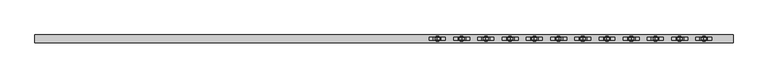
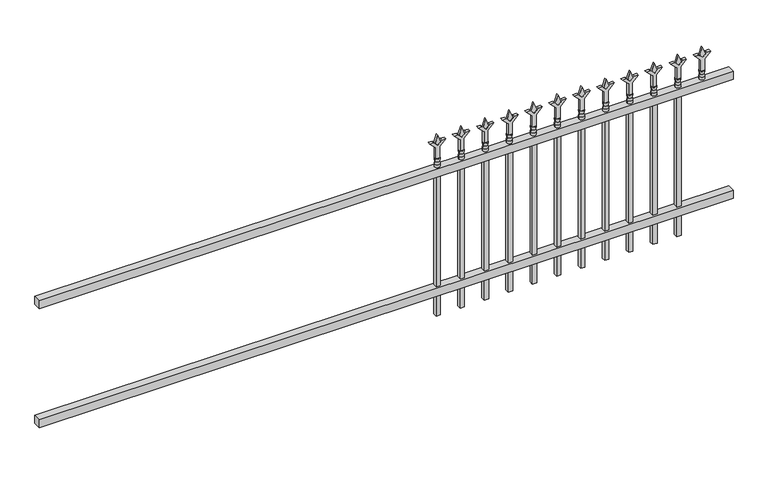
"""IFC4 building model written with IfcOpenShell, lengths in millimetres: railing geometry."""

from ifc_helpers import new_model, si_unit, frame, origin, place, context, project, spatial, polyline, circle_curve, outline, extrude, source, transform, mapped, element, save
from ifc_brep_helpers import plane_surface, cylinder_surface, revolved_surface, advanced_brep


def railing_2eb2fdbb(model_context):
    return source(origin(), model_context, "Body", "SolidModel", [
        extrude(outline(polyline([(-9790.0050134, 7020.1574518), (-9790.0050134, 7055.0824518), (-6640.4050134, 7055.0824518), (-6640.4050134, 7020.1574518), (-9790.0050134, 7020.1574518)])), frame((0.0, 0.0, 12915.9), z_axis=(0.0, 0.0, 1.0), x_axis=(1.0, 0.0, 0.0)), (0.0, 0.0, 1.0), 38.1),
        extrude(outline(polyline([(-9790.0050134, 7020.1574518), (-9790.0050134, 7055.0824518), (-6640.4050134, 7055.0824518), (-6640.4050134, 7020.1574518), (-9790.0050134, 7020.1574518)])), frame((0.0, 0.0, 12344.4), z_axis=(0.0, 0.0, 1.0), x_axis=(1.0, 0.0, 0.0)), (0.0, 0.0, 1.0), 38.1),
        extrude(outline(polyline([(13070.68125, -6869.53418), (13106.4, -6881.44043), (13070.68125, -6893.34668), (13058.775, -6881.44043), (13070.68125, -6869.53418)])), frame((0.0, 7032.8574518, 0.0), z_axis=(0.0, 1.0, 0.0), x_axis=(0.0, 0.0, 1.0)), (0.0, 0.0, 1.0), 9.525),
        extrude(outline(polyline([(12995.275, -6872.70918), (13049.5457378, -6872.70918), (13076.7355122, -6845.5194056), (13076.7355122, -6863.4799178), (13058.775, -6881.44043), (13076.7355122, -6899.4009423), (13076.7355122, -6917.3614545), (13049.5457378, -6890.17168), (12995.275, -6890.17168), (12995.275, -6872.70918)])), frame((0.0, 7031.2699518, 0.0), z_axis=(0.0, 1.0, 0.0), x_axis=(0.0, 0.0, 1.0)), (0.0, 0.0, 1.0), 12.7),
        advanced_brep(
        [(-6869.53418, 7037.6199518, 12966.7), (-6893.34668, 7037.6199518, 12966.7), (-6893.34668, 7037.6199518, 12954.0), (-6869.53418, 7037.6199518, 12954.0), (-6871.7395119, 7037.6199518, 12979.2070585), (-6891.1413482, 7037.6199518, 12979.2070585), (-6869.53418, 7037.6199518, 12995.275), (-6893.34668, 7037.6199518, 12995.275), (-6881.44043, 7037.6199518, 12995.275), (-6881.44043, 7037.6199518, 12954.0)],
        [
            (0, 1, circle_curve(frame((-6881.44043, 7037.6199518, 12966.7), z_axis=(0.0, 0.0, -1.0), x_axis=(-1.0, 0.0, 0.0)), 11.90625)),
            (1, 2),
            (2, 3, circle_curve(frame((-6881.44043, 7037.6199518, 12954.0), z_axis=(0.0, 0.0, 1.0), x_axis=(-1.0, 0.0, 0.0)), 11.90625)),
            (3, 0),
            (1, 0, circle_curve(frame((-6881.44043, 7037.6199518, 12966.7), z_axis=(0.0, 0.0, -1.0), x_axis=(-1.0, 0.0, 0.0)), 11.90625)),
            (3, 2, circle_curve(frame((-6881.44043, 7037.6199518, 12954.0), z_axis=(0.0, 0.0, 1.0), x_axis=(-1.0, 0.0, 0.0)), 11.90625)),
            (4, 5, circle_curve(frame((-6881.44043, 7037.6199518, 12979.2070585), z_axis=(0.0, 0.0, -1.0), x_axis=(-1.0, 0.0, 0.0)), 9.7009181)),
            (5, 1),
            (0, 4),
            (5, 4, circle_curve(frame((-6881.44043, 7037.6199518, 12979.2070585), z_axis=(0.0, 0.0, -1.0), x_axis=(-1.0, 0.0, 0.0)), 9.7009181)),
            (6, 7, circle_curve(frame((-6881.44043, 7037.6199518, 12995.275), z_axis=(0.0, 0.0, -1.0), x_axis=(-1.0, 0.0, 0.0)), 11.90625)),
            (7, 5),
            (4, 6),
            (7, 6, circle_curve(frame((-6881.44043, 7037.6199518, 12995.275), z_axis=(0.0, 0.0, -1.0), x_axis=(-1.0, 0.0, 0.0)), 11.90625)),
            (8, 7),
            (6, 8),
            (2, 9),
            (9, 3),
        ],
        [
            cylinder_surface(frame((-6881.44043, 7037.6199518, 12954.0), z_axis=(0.0, 0.0, 1.0), x_axis=(-1.0, 0.0, 0.0)), 11.90625),
            revolved_surface(polyline([(-6893.34668, 7037.6199518, 12966.7), (-6891.1413482, 7037.6199518, 12979.2070585)]), (-6881.44043, 7037.6199518, 12954.0), (0.0, 0.0, 1.0)),
            revolved_surface(polyline([(-6891.1413482, 7037.6199518, 12979.2070585), (-6893.34668, 7037.6199518, 12995.275)]), (-6881.44043, 7037.6199518, 12954.0), (0.0, 0.0, 1.0)),
            plane_surface(frame((-6881.44043, 7037.6199518, 12995.275), z_axis=(0.0, 0.0, 1.0), x_axis=(-1.0, 0.0, 0.0))),
            plane_surface(frame((-6881.44043, 7037.6199518, 12954.0), z_axis=(0.0, 0.0, -1.0), x_axis=(-1.0, 0.0, 0.0))),
        ],
        [
            (0, [[1, 2, 3, 4]]),
            (0, [[5, -4, 6, -2]]),
            (1, [[7, 8, -1, 9]]),
            (1, [[10, -9, -5, -8]]),
            (2, [[11, 12, -7, 13]]),
            (2, [[14, -13, -10, -12]]),
            (3, [[15, -11, 16]]),
            (3, [[-16, -14, -15]]),
            (4, [[-3, 17, 18]]),
            (4, [[-6, -18, -17]]),
        ],
    ),
        extrude(outline(polyline([(-6890.96543, 7047.1449518), (-6871.91543, 7047.1449518), (-6871.91543, 7028.0949518), (-6890.96543, 7028.0949518), (-6890.96543, 7047.1449518)])), frame((0.0, 0.0, 12242.8), z_axis=(0.0, 0.0, 1.0), x_axis=(1.0, 0.0, 0.0)), (0.0, 0.0, 1.0), 711.2),
        extrude(outline(polyline([(13070.68125, -6978.8070967), (13106.4, -6990.7133467), (13070.68125, -7002.6195967), (13058.775, -6990.7133467), (13070.68125, -6978.8070967)])), frame((0.0, 7032.8574518, 0.0), z_axis=(0.0, 1.0, 0.0), x_axis=(0.0, 0.0, 1.0)), (0.0, 0.0, 1.0), 9.525),
        extrude(outline(polyline([(12995.275, -6981.9820967), (13049.5457378, -6981.9820967), (13076.7355122, -6954.7923222), (13076.7355122, -6972.7528345), (13058.775, -6990.7133467), (13076.7355122, -7008.673859), (13076.7355122, -7026.6343712), (13049.5457378, -6999.4445967), (12995.275, -6999.4445967), (12995.275, -6981.9820967)])), frame((0.0, 7031.2699518, 0.0), z_axis=(0.0, 1.0, 0.0), x_axis=(0.0, 0.0, 1.0)), (0.0, 0.0, 1.0), 12.7),
        advanced_brep(
        [(-6978.8070967, 7037.6199518, 12966.7), (-7002.6195967, 7037.6199518, 12966.7), (-7002.6195967, 7037.6199518, 12954.0), (-6978.8070967, 7037.6199518, 12954.0), (-6981.0124286, 7037.6199518, 12979.2070585), (-7000.4142649, 7037.6199518, 12979.2070585), (-6978.8070967, 7037.6199518, 12995.275), (-7002.6195967, 7037.6199518, 12995.275), (-6990.7133467, 7037.6199518, 12995.275), (-6990.7133467, 7037.6199518, 12954.0)],
        [
            (0, 1, circle_curve(frame((-6990.7133467, 7037.6199518, 12966.7), z_axis=(0.0, 0.0, -1.0), x_axis=(-1.0, 0.0, 0.0)), 11.90625)),
            (1, 2),
            (2, 3, circle_curve(frame((-6990.7133467, 7037.6199518, 12954.0), z_axis=(0.0, 0.0, 1.0), x_axis=(-1.0, 0.0, 0.0)), 11.90625)),
            (3, 0),
            (1, 0, circle_curve(frame((-6990.7133467, 7037.6199518, 12966.7), z_axis=(0.0, 0.0, -1.0), x_axis=(-1.0, 0.0, 0.0)), 11.90625)),
            (3, 2, circle_curve(frame((-6990.7133467, 7037.6199518, 12954.0), z_axis=(0.0, 0.0, 1.0), x_axis=(-1.0, 0.0, 0.0)), 11.90625)),
            (4, 5, circle_curve(frame((-6990.7133467, 7037.6199518, 12979.2070585), z_axis=(0.0, 0.0, -1.0), x_axis=(-1.0, 0.0, 0.0)), 9.7009181)),
            (5, 1),
            (0, 4),
            (5, 4, circle_curve(frame((-6990.7133467, 7037.6199518, 12979.2070585), z_axis=(0.0, 0.0, -1.0), x_axis=(-1.0, 0.0, 0.0)), 9.7009181)),
            (6, 7, circle_curve(frame((-6990.7133467, 7037.6199518, 12995.275), z_axis=(0.0, 0.0, -1.0), x_axis=(-1.0, 0.0, 0.0)), 11.90625)),
            (7, 5),
            (4, 6),
            (7, 6, circle_curve(frame((-6990.7133467, 7037.6199518, 12995.275), z_axis=(0.0, 0.0, -1.0), x_axis=(-1.0, 0.0, 0.0)), 11.90625)),
            (8, 7),
            (6, 8),
            (2, 9),
            (9, 3),
        ],
        [
            cylinder_surface(frame((-6990.7133467, 7037.6199518, 12954.0), z_axis=(0.0, 0.0, 1.0), x_axis=(-1.0, 0.0, 0.0)), 11.90625),
            revolved_surface(polyline([(-7002.6195967, 7037.6199518, 12966.7), (-7000.4142649, 7037.6199518, 12979.2070585)]), (-6990.7133467, 7037.6199518, 12954.0), (0.0, 0.0, 1.0)),
            revolved_surface(polyline([(-7000.4142649, 7037.6199518, 12979.2070585), (-7002.6195967, 7037.6199518, 12995.275)]), (-6990.7133467, 7037.6199518, 12954.0), (0.0, 0.0, 1.0)),
            plane_surface(frame((-6990.7133467, 7037.6199518, 12995.275), z_axis=(0.0, 0.0, 1.0), x_axis=(-1.0, 0.0, 0.0))),
            plane_surface(frame((-6990.7133467, 7037.6199518, 12954.0), z_axis=(0.0, 0.0, -1.0), x_axis=(-1.0, 0.0, 0.0))),
        ],
        [
            (0, [[1, 2, 3, 4]]),
            (0, [[5, -4, 6, -2]]),
            (1, [[7, 8, -1, 9]]),
            (1, [[10, -9, -5, -8]]),
            (2, [[11, 12, -7, 13]]),
            (2, [[14, -13, -10, -12]]),
            (3, [[15, -11, 16]]),
            (3, [[-16, -14, -15]]),
            (4, [[-3, 17, 18]]),
            (4, [[-6, -18, -17]]),
        ],
    ),
        extrude(outline(polyline([(-7000.2383467, 7047.1449518), (-6981.1883467, 7047.1449518), (-6981.1883467, 7028.0949518), (-7000.2383467, 7028.0949518), (-7000.2383467, 7047.1449518)])), frame((0.0, 0.0, 12242.8), z_axis=(0.0, 0.0, 1.0), x_axis=(1.0, 0.0, 0.0)), (0.0, 0.0, 1.0), 711.2),
        extrude(outline(polyline([(13070.68125, -7088.0800134), (13106.4, -7099.9862634), (13070.68125, -7111.8925134), (13058.775, -7099.9862634), (13070.68125, -7088.0800134)])), frame((0.0, 7032.8574518, 0.0), z_axis=(0.0, 1.0, 0.0), x_axis=(0.0, 0.0, 1.0)), (0.0, 0.0, 1.0), 9.525),
        extrude(outline(polyline([(12995.275, -7091.2550134), (13049.5457378, -7091.2550134), (13076.7355122, -7064.0652389), (13076.7355122, -7082.0257511), (13058.775, -7099.9862634), (13076.7355122, -7117.9467756), (13076.7355122, -7135.9072879), (13049.5457378, -7108.7175134), (12995.275, -7108.7175134), (12995.275, -7091.2550134)])), frame((0.0, 7031.2699518, 0.0), z_axis=(0.0, 1.0, 0.0), x_axis=(0.0, 0.0, 1.0)), (0.0, 0.0, 1.0), 12.7),
        advanced_brep(
        [(-7088.0800134, 7037.6199518, 12966.7), (-7111.8925134, 7037.6199518, 12966.7), (-7111.8925134, 7037.6199518, 12954.0), (-7088.0800134, 7037.6199518, 12954.0), (-7090.2853452, 7037.6199518, 12979.2070585), (-7109.6871815, 7037.6199518, 12979.2070585), (-7088.0800134, 7037.6199518, 12995.275), (-7111.8925134, 7037.6199518, 12995.275), (-7099.9862634, 7037.6199518, 12995.275), (-7099.9862634, 7037.6199518, 12954.0)],
        [
            (0, 1, circle_curve(frame((-7099.9862634, 7037.6199518, 12966.7), z_axis=(0.0, 0.0, -1.0), x_axis=(-1.0, 0.0, 0.0)), 11.90625)),
            (1, 2),
            (2, 3, circle_curve(frame((-7099.9862634, 7037.6199518, 12954.0), z_axis=(0.0, 0.0, 1.0), x_axis=(-1.0, 0.0, 0.0)), 11.90625)),
            (3, 0),
            (1, 0, circle_curve(frame((-7099.9862634, 7037.6199518, 12966.7), z_axis=(0.0, 0.0, -1.0), x_axis=(-1.0, 0.0, 0.0)), 11.90625)),
            (3, 2, circle_curve(frame((-7099.9862634, 7037.6199518, 12954.0), z_axis=(0.0, 0.0, 1.0), x_axis=(-1.0, 0.0, 0.0)), 11.90625)),
            (4, 5, circle_curve(frame((-7099.9862634, 7037.6199518, 12979.2070585), z_axis=(0.0, 0.0, -1.0), x_axis=(-1.0, 0.0, 0.0)), 9.7009181)),
            (5, 1),
            (0, 4),
            (5, 4, circle_curve(frame((-7099.9862634, 7037.6199518, 12979.2070585), z_axis=(0.0, 0.0, -1.0), x_axis=(-1.0, 0.0, 0.0)), 9.7009181)),
            (6, 7, circle_curve(frame((-7099.9862634, 7037.6199518, 12995.275), z_axis=(0.0, 0.0, -1.0), x_axis=(-1.0, 0.0, 0.0)), 11.90625)),
            (7, 5),
            (4, 6),
            (7, 6, circle_curve(frame((-7099.9862634, 7037.6199518, 12995.275), z_axis=(0.0, 0.0, -1.0), x_axis=(-1.0, 0.0, 0.0)), 11.90625)),
            (8, 7),
            (6, 8),
            (2, 9),
            (9, 3),
        ],
        [
            cylinder_surface(frame((-7099.9862634, 7037.6199518, 12954.0), z_axis=(0.0, 0.0, 1.0), x_axis=(-1.0, 0.0, 0.0)), 11.90625),
            revolved_surface(polyline([(-7111.8925134, 7037.6199518, 12966.7), (-7109.6871815, 7037.6199518, 12979.2070585)]), (-7099.9862634, 7037.6199518, 12954.0), (0.0, 0.0, 1.0)),
            revolved_surface(polyline([(-7109.6871815, 7037.6199518, 12979.2070585), (-7111.8925134, 7037.6199518, 12995.275)]), (-7099.9862634, 7037.6199518, 12954.0), (0.0, 0.0, 1.0)),
            plane_surface(frame((-7099.9862634, 7037.6199518, 12995.275), z_axis=(0.0, 0.0, 1.0), x_axis=(-1.0, 0.0, 0.0))),
            plane_surface(frame((-7099.9862634, 7037.6199518, 12954.0), z_axis=(0.0, 0.0, -1.0), x_axis=(-1.0, 0.0, 0.0))),
        ],
        [
            (0, [[1, 2, 3, 4]]),
            (0, [[5, -4, 6, -2]]),
            (1, [[7, 8, -1, 9]]),
            (1, [[10, -9, -5, -8]]),
            (2, [[11, 12, -7, 13]]),
            (2, [[14, -13, -10, -12]]),
            (3, [[15, -11, 16]]),
            (3, [[-16, -14, -15]]),
            (4, [[-3, 17, 18]]),
            (4, [[-6, -18, -17]]),
        ],
    ),
        extrude(outline(polyline([(-7109.5112634, 7047.1449518), (-7090.4612634, 7047.1449518), (-7090.4612634, 7028.0949518), (-7109.5112634, 7028.0949518), (-7109.5112634, 7047.1449518)])), frame((0.0, 0.0, 12242.8), z_axis=(0.0, 0.0, 1.0), x_axis=(1.0, 0.0, 0.0)), (0.0, 0.0, 1.0), 711.2),
        extrude(outline(polyline([(13070.68125, -7197.35293), (13106.4, -7209.25918), (13070.68125, -7221.16543), (13058.775, -7209.25918), (13070.68125, -7197.35293)])), frame((0.0, 7032.8574518, 0.0), z_axis=(0.0, 1.0, 0.0), x_axis=(0.0, 0.0, 1.0)), (0.0, 0.0, 1.0), 9.525),
        extrude(outline(polyline([(12995.275, -7200.52793), (13049.5457378, -7200.52793), (13076.7355122, -7173.3381556), (13076.7355122, -7191.2986678), (13058.775, -7209.25918), (13076.7355122, -7227.2196923), (13076.7355122, -7245.1802045), (13049.5457378, -7217.99043), (12995.275, -7217.99043), (12995.275, -7200.52793)])), frame((0.0, 7031.2699518, 0.0), z_axis=(0.0, 1.0, 0.0), x_axis=(0.0, 0.0, 1.0)), (0.0, 0.0, 1.0), 12.7),
        advanced_brep(
        [(-7197.35293, 7037.6199518, 12966.7), (-7221.16543, 7037.6199518, 12966.7), (-7221.16543, 7037.6199518, 12954.0), (-7197.35293, 7037.6199518, 12954.0), (-7199.5582619, 7037.6199518, 12979.2070585), (-7218.9600982, 7037.6199518, 12979.2070585), (-7197.35293, 7037.6199518, 12995.275), (-7221.16543, 7037.6199518, 12995.275), (-7209.25918, 7037.6199518, 12995.275), (-7209.25918, 7037.6199518, 12954.0)],
        [
            (0, 1, circle_curve(frame((-7209.25918, 7037.6199518, 12966.7), z_axis=(0.0, 0.0, -1.0), x_axis=(-1.0, 0.0, 0.0)), 11.90625)),
            (1, 2),
            (2, 3, circle_curve(frame((-7209.25918, 7037.6199518, 12954.0), z_axis=(0.0, 0.0, 1.0), x_axis=(-1.0, 0.0, 0.0)), 11.90625)),
            (3, 0),
            (1, 0, circle_curve(frame((-7209.25918, 7037.6199518, 12966.7), z_axis=(0.0, 0.0, -1.0), x_axis=(-1.0, 0.0, 0.0)), 11.90625)),
            (3, 2, circle_curve(frame((-7209.25918, 7037.6199518, 12954.0), z_axis=(0.0, 0.0, 1.0), x_axis=(-1.0, 0.0, 0.0)), 11.90625)),
            (4, 5, circle_curve(frame((-7209.25918, 7037.6199518, 12979.2070585), z_axis=(0.0, 0.0, -1.0), x_axis=(-1.0, 0.0, 0.0)), 9.7009181)),
            (5, 1),
            (0, 4),
            (5, 4, circle_curve(frame((-7209.25918, 7037.6199518, 12979.2070585), z_axis=(0.0, 0.0, -1.0), x_axis=(-1.0, 0.0, 0.0)), 9.7009181)),
            (6, 7, circle_curve(frame((-7209.25918, 7037.6199518, 12995.275), z_axis=(0.0, 0.0, -1.0), x_axis=(-1.0, 0.0, 0.0)), 11.90625)),
            (7, 5),
            (4, 6),
            (7, 6, circle_curve(frame((-7209.25918, 7037.6199518, 12995.275), z_axis=(0.0, 0.0, -1.0), x_axis=(-1.0, 0.0, 0.0)), 11.90625)),
            (8, 7),
            (6, 8),
            (2, 9),
            (9, 3),
        ],
        [
            cylinder_surface(frame((-7209.25918, 7037.6199518, 12954.0), z_axis=(0.0, 0.0, 1.0), x_axis=(-1.0, 0.0, 0.0)), 11.90625),
            revolved_surface(polyline([(-7221.16543, 7037.6199518, 12966.7), (-7218.9600982, 7037.6199518, 12979.2070585)]), (-7209.25918, 7037.6199518, 12954.0), (0.0, 0.0, 1.0)),
            revolved_surface(polyline([(-7218.9600982, 7037.6199518, 12979.2070585), (-7221.16543, 7037.6199518, 12995.275)]), (-7209.25918, 7037.6199518, 12954.0), (0.0, 0.0, 1.0)),
            plane_surface(frame((-7209.25918, 7037.6199518, 12995.275), z_axis=(0.0, 0.0, 1.0), x_axis=(-1.0, 0.0, 0.0))),
            plane_surface(frame((-7209.25918, 7037.6199518, 12954.0), z_axis=(0.0, 0.0, -1.0), x_axis=(-1.0, 0.0, 0.0))),
        ],
        [
            (0, [[1, 2, 3, 4]]),
            (0, [[5, -4, 6, -2]]),
            (1, [[7, 8, -1, 9]]),
            (1, [[10, -9, -5, -8]]),
            (2, [[11, 12, -7, 13]]),
            (2, [[14, -13, -10, -12]]),
            (3, [[15, -11, 16]]),
            (3, [[-16, -14, -15]]),
            (4, [[-3, 17, 18]]),
            (4, [[-6, -18, -17]]),
        ],
    ),
        extrude(outline(polyline([(-7218.78418, 7047.1449518), (-7199.73418, 7047.1449518), (-7199.73418, 7028.0949518), (-7218.78418, 7028.0949518), (-7218.78418, 7047.1449518)])), frame((0.0, 0.0, 12242.8), z_axis=(0.0, 0.0, 1.0), x_axis=(1.0, 0.0, 0.0)), (0.0, 0.0, 1.0), 711.2),
        extrude(outline(polyline([(13070.68125, -7306.6258467), (13106.4, -7318.5320967), (13070.68125, -7330.4383467), (13058.775, -7318.5320967), (13070.68125, -7306.6258467)])), frame((0.0, 7032.8574518, 0.0), z_axis=(0.0, 1.0, 0.0), x_axis=(0.0, 0.0, 1.0)), (0.0, 0.0, 1.0), 9.525),
        extrude(outline(polyline([(12995.275, -7309.8008467), (13049.5457378, -7309.8008467), (13076.7355122, -7282.6110722), (13076.7355122, -7300.5715845), (13058.775, -7318.5320967), (13076.7355122, -7336.492609), (13076.7355122, -7354.4531212), (13049.5457378, -7327.2633467), (12995.275, -7327.2633467), (12995.275, -7309.8008467)])), frame((0.0, 7031.2699518, 0.0), z_axis=(0.0, 1.0, 0.0), x_axis=(0.0, 0.0, 1.0)), (0.0, 0.0, 1.0), 12.7),
        advanced_brep(
        [(-7306.6258467, 7037.6199518, 12966.7), (-7330.4383467, 7037.6199518, 12966.7), (-7330.4383467, 7037.6199518, 12954.0), (-7306.6258467, 7037.6199518, 12954.0), (-7308.8311786, 7037.6199518, 12979.2070585), (-7328.2330149, 7037.6199518, 12979.2070585), (-7306.6258467, 7037.6199518, 12995.275), (-7330.4383467, 7037.6199518, 12995.275), (-7318.5320967, 7037.6199518, 12995.275), (-7318.5320967, 7037.6199518, 12954.0)],
        [
            (0, 1, circle_curve(frame((-7318.5320967, 7037.6199518, 12966.7), z_axis=(0.0, 0.0, -1.0), x_axis=(-1.0, 0.0, 0.0)), 11.90625)),
            (1, 2),
            (2, 3, circle_curve(frame((-7318.5320967, 7037.6199518, 12954.0), z_axis=(0.0, 0.0, 1.0), x_axis=(-1.0, 0.0, 0.0)), 11.90625)),
            (3, 0),
            (1, 0, circle_curve(frame((-7318.5320967, 7037.6199518, 12966.7), z_axis=(0.0, 0.0, -1.0), x_axis=(-1.0, 0.0, 0.0)), 11.90625)),
            (3, 2, circle_curve(frame((-7318.5320967, 7037.6199518, 12954.0), z_axis=(0.0, 0.0, 1.0), x_axis=(-1.0, 0.0, 0.0)), 11.90625)),
            (4, 5, circle_curve(frame((-7318.5320967, 7037.6199518, 12979.2070585), z_axis=(0.0, 0.0, -1.0), x_axis=(-1.0, 0.0, 0.0)), 9.7009181)),
            (5, 1),
            (0, 4),
            (5, 4, circle_curve(frame((-7318.5320967, 7037.6199518, 12979.2070585), z_axis=(0.0, 0.0, -1.0), x_axis=(-1.0, 0.0, 0.0)), 9.7009181)),
            (6, 7, circle_curve(frame((-7318.5320967, 7037.6199518, 12995.275), z_axis=(0.0, 0.0, -1.0), x_axis=(-1.0, 0.0, 0.0)), 11.90625)),
            (7, 5),
            (4, 6),
            (7, 6, circle_curve(frame((-7318.5320967, 7037.6199518, 12995.275), z_axis=(0.0, 0.0, -1.0), x_axis=(-1.0, 0.0, 0.0)), 11.90625)),
            (8, 7),
            (6, 8),
            (2, 9),
            (9, 3),
        ],
        [
            cylinder_surface(frame((-7318.5320967, 7037.6199518, 12954.0), z_axis=(0.0, 0.0, 1.0), x_axis=(-1.0, 0.0, 0.0)), 11.90625),
            revolved_surface(polyline([(-7330.4383467, 7037.6199518, 12966.7), (-7328.2330149, 7037.6199518, 12979.2070585)]), (-7318.5320967, 7037.6199518, 12954.0), (0.0, 0.0, 1.0)),
            revolved_surface(polyline([(-7328.2330149, 7037.6199518, 12979.2070585), (-7330.4383467, 7037.6199518, 12995.275)]), (-7318.5320967, 7037.6199518, 12954.0), (0.0, 0.0, 1.0)),
            plane_surface(frame((-7318.5320967, 7037.6199518, 12995.275), z_axis=(0.0, 0.0, 1.0), x_axis=(-1.0, 0.0, 0.0))),
            plane_surface(frame((-7318.5320967, 7037.6199518, 12954.0), z_axis=(0.0, 0.0, -1.0), x_axis=(-1.0, 0.0, 0.0))),
        ],
        [
            (0, [[1, 2, 3, 4]]),
            (0, [[5, -4, 6, -2]]),
            (1, [[7, 8, -1, 9]]),
            (1, [[10, -9, -5, -8]]),
            (2, [[11, 12, -7, 13]]),
            (2, [[14, -13, -10, -12]]),
            (3, [[15, -11, 16]]),
            (3, [[-16, -14, -15]]),
            (4, [[-3, 17, 18]]),
            (4, [[-6, -18, -17]]),
        ],
    ),
        extrude(outline(polyline([(-7328.0570967, 7047.1449518), (-7309.0070967, 7047.1449518), (-7309.0070967, 7028.0949518), (-7328.0570967, 7028.0949518), (-7328.0570967, 7047.1449518)])), frame((0.0, 0.0, 12242.8), z_axis=(0.0, 0.0, 1.0), x_axis=(1.0, 0.0, 0.0)), (0.0, 0.0, 1.0), 711.2),
        extrude(outline(polyline([(13070.68125, -7415.8987634), (13106.4, -7427.8050134), (13070.68125, -7439.7112634), (13058.775, -7427.8050134), (13070.68125, -7415.8987634)])), frame((0.0, 7032.8574518, 0.0), z_axis=(0.0, 1.0, 0.0), x_axis=(0.0, 0.0, 1.0)), (0.0, 0.0, 1.0), 9.525),
        extrude(outline(polyline([(12995.275, -7419.0737634), (13049.5457378, -7419.0737634), (13076.7355122, -7391.8839889), (13076.7355122, -7409.8445011), (13058.775, -7427.8050134), (13076.7355122, -7445.7655256), (13076.7355122, -7463.7260379), (13049.5457378, -7436.5362634), (12995.275, -7436.5362634), (12995.275, -7419.0737634)])), frame((0.0, 7031.2699518, 0.0), z_axis=(0.0, 1.0, 0.0), x_axis=(0.0, 0.0, 1.0)), (0.0, 0.0, 1.0), 12.7),
        advanced_brep(
        [(-7415.8987634, 7037.6199518, 12966.7), (-7439.7112634, 7037.6199518, 12966.7), (-7439.7112634, 7037.6199518, 12954.0), (-7415.8987634, 7037.6199518, 12954.0), (-7418.1040952, 7037.6199518, 12979.2070585), (-7437.5059315, 7037.6199518, 12979.2070585), (-7415.8987634, 7037.6199518, 12995.275), (-7439.7112634, 7037.6199518, 12995.275), (-7427.8050134, 7037.6199518, 12995.275), (-7427.8050134, 7037.6199518, 12954.0)],
        [
            (0, 1, circle_curve(frame((-7427.8050134, 7037.6199518, 12966.7), z_axis=(0.0, 0.0, -1.0), x_axis=(-1.0, 0.0, 0.0)), 11.90625)),
            (1, 2),
            (2, 3, circle_curve(frame((-7427.8050134, 7037.6199518, 12954.0), z_axis=(0.0, 0.0, 1.0), x_axis=(-1.0, 0.0, 0.0)), 11.90625)),
            (3, 0),
            (1, 0, circle_curve(frame((-7427.8050134, 7037.6199518, 12966.7), z_axis=(0.0, 0.0, -1.0), x_axis=(-1.0, 0.0, 0.0)), 11.90625)),
            (3, 2, circle_curve(frame((-7427.8050134, 7037.6199518, 12954.0), z_axis=(0.0, 0.0, 1.0), x_axis=(-1.0, 0.0, 0.0)), 11.90625)),
            (4, 5, circle_curve(frame((-7427.8050134, 7037.6199518, 12979.2070585), z_axis=(0.0, 0.0, -1.0), x_axis=(-1.0, 0.0, 0.0)), 9.7009181)),
            (5, 1),
            (0, 4),
            (5, 4, circle_curve(frame((-7427.8050134, 7037.6199518, 12979.2070585), z_axis=(0.0, 0.0, -1.0), x_axis=(-1.0, 0.0, 0.0)), 9.7009181)),
            (6, 7, circle_curve(frame((-7427.8050134, 7037.6199518, 12995.275), z_axis=(0.0, 0.0, -1.0), x_axis=(-1.0, 0.0, 0.0)), 11.90625)),
            (7, 5),
            (4, 6),
            (7, 6, circle_curve(frame((-7427.8050134, 7037.6199518, 12995.275), z_axis=(0.0, 0.0, -1.0), x_axis=(-1.0, 0.0, 0.0)), 11.90625)),
            (8, 7),
            (6, 8),
            (2, 9),
            (9, 3),
        ],
        [
            cylinder_surface(frame((-7427.8050134, 7037.6199518, 12954.0), z_axis=(0.0, 0.0, 1.0), x_axis=(-1.0, 0.0, 0.0)), 11.90625),
            revolved_surface(polyline([(-7439.7112634, 7037.6199518, 12966.7), (-7437.5059315, 7037.6199518, 12979.2070585)]), (-7427.8050134, 7037.6199518, 12954.0), (0.0, 0.0, 1.0)),
            revolved_surface(polyline([(-7437.5059315, 7037.6199518, 12979.2070585), (-7439.7112634, 7037.6199518, 12995.275)]), (-7427.8050134, 7037.6199518, 12954.0), (0.0, 0.0, 1.0)),
            plane_surface(frame((-7427.8050134, 7037.6199518, 12995.275), z_axis=(0.0, 0.0, 1.0), x_axis=(-1.0, 0.0, 0.0))),
            plane_surface(frame((-7427.8050134, 7037.6199518, 12954.0), z_axis=(0.0, 0.0, -1.0), x_axis=(-1.0, 0.0, 0.0))),
        ],
        [
            (0, [[1, 2, 3, 4]]),
            (0, [[5, -4, 6, -2]]),
            (1, [[7, 8, -1, 9]]),
            (1, [[10, -9, -5, -8]]),
            (2, [[11, 12, -7, 13]]),
            (2, [[14, -13, -10, -12]]),
            (3, [[15, -11, 16]]),
            (3, [[-16, -14, -15]]),
            (4, [[-3, 17, 18]]),
            (4, [[-6, -18, -17]]),
        ],
    ),
        extrude(outline(polyline([(-7437.3300134, 7047.1449518), (-7418.2800134, 7047.1449518), (-7418.2800134, 7028.0949518), (-7437.3300134, 7028.0949518), (-7437.3300134, 7047.1449518)])), frame((0.0, 0.0, 12242.8), z_axis=(0.0, 0.0, 1.0), x_axis=(1.0, 0.0, 0.0)), (0.0, 0.0, 1.0), 711.2),
        extrude(outline(polyline([(13070.68125, -7525.17168), (13106.4, -7537.07793), (13070.68125, -7548.98418), (13058.775, -7537.07793), (13070.68125, -7525.17168)])), frame((0.0, 7032.8574518, 0.0), z_axis=(0.0, 1.0, 0.0), x_axis=(0.0, 0.0, 1.0)), (0.0, 0.0, 1.0), 9.525),
        extrude(outline(polyline([(12995.275, -7528.34668), (13049.5457378, -7528.34668), (13076.7355122, -7501.1569056), (13076.7355122, -7519.1174178), (13058.775, -7537.07793), (13076.7355122, -7555.0384423), (13076.7355122, -7572.9989545), (13049.5457378, -7545.80918), (12995.275, -7545.80918), (12995.275, -7528.34668)])), frame((0.0, 7031.2699518, 0.0), z_axis=(0.0, 1.0, 0.0), x_axis=(0.0, 0.0, 1.0)), (0.0, 0.0, 1.0), 12.7),
        advanced_brep(
        [(-7525.17168, 7037.6199518, 12966.7), (-7548.98418, 7037.6199518, 12966.7), (-7548.98418, 7037.6199518, 12954.0), (-7525.17168, 7037.6199518, 12954.0), (-7527.3770119, 7037.6199518, 12979.2070585), (-7546.7788482, 7037.6199518, 12979.2070585), (-7525.17168, 7037.6199518, 12995.275), (-7548.98418, 7037.6199518, 12995.275), (-7537.07793, 7037.6199518, 12995.275), (-7537.07793, 7037.6199518, 12954.0)],
        [
            (0, 1, circle_curve(frame((-7537.07793, 7037.6199518, 12966.7), z_axis=(0.0, 0.0, -1.0), x_axis=(-1.0, 0.0, 0.0)), 11.90625)),
            (1, 2),
            (2, 3, circle_curve(frame((-7537.07793, 7037.6199518, 12954.0), z_axis=(0.0, 0.0, 1.0), x_axis=(-1.0, 0.0, 0.0)), 11.90625)),
            (3, 0),
            (1, 0, circle_curve(frame((-7537.07793, 7037.6199518, 12966.7), z_axis=(0.0, 0.0, -1.0), x_axis=(-1.0, 0.0, 0.0)), 11.90625)),
            (3, 2, circle_curve(frame((-7537.07793, 7037.6199518, 12954.0), z_axis=(0.0, 0.0, 1.0), x_axis=(-1.0, 0.0, 0.0)), 11.90625)),
            (4, 5, circle_curve(frame((-7537.07793, 7037.6199518, 12979.2070585), z_axis=(0.0, 0.0, -1.0), x_axis=(-1.0, 0.0, 0.0)), 9.7009181)),
            (5, 1),
            (0, 4),
            (5, 4, circle_curve(frame((-7537.07793, 7037.6199518, 12979.2070585), z_axis=(0.0, 0.0, -1.0), x_axis=(-1.0, 0.0, 0.0)), 9.7009181)),
            (6, 7, circle_curve(frame((-7537.07793, 7037.6199518, 12995.275), z_axis=(0.0, 0.0, -1.0), x_axis=(-1.0, 0.0, 0.0)), 11.90625)),
            (7, 5),
            (4, 6),
            (7, 6, circle_curve(frame((-7537.07793, 7037.6199518, 12995.275), z_axis=(0.0, 0.0, -1.0), x_axis=(-1.0, 0.0, 0.0)), 11.90625)),
            (8, 7),
            (6, 8),
            (2, 9),
            (9, 3),
        ],
        [
            cylinder_surface(frame((-7537.07793, 7037.6199518, 12954.0), z_axis=(0.0, 0.0, 1.0), x_axis=(-1.0, 0.0, 0.0)), 11.90625),
            revolved_surface(polyline([(-7548.98418, 7037.6199518, 12966.7), (-7546.7788482, 7037.6199518, 12979.2070585)]), (-7537.07793, 7037.6199518, 12954.0), (0.0, 0.0, 1.0)),
            revolved_surface(polyline([(-7546.7788482, 7037.6199518, 12979.2070585), (-7548.98418, 7037.6199518, 12995.275)]), (-7537.07793, 7037.6199518, 12954.0), (0.0, 0.0, 1.0)),
            plane_surface(frame((-7537.07793, 7037.6199518, 12995.275), z_axis=(0.0, 0.0, 1.0), x_axis=(-1.0, 0.0, 0.0))),
            plane_surface(frame((-7537.07793, 7037.6199518, 12954.0), z_axis=(0.0, 0.0, -1.0), x_axis=(-1.0, 0.0, 0.0))),
        ],
        [
            (0, [[1, 2, 3, 4]]),
            (0, [[5, -4, 6, -2]]),
            (1, [[7, 8, -1, 9]]),
            (1, [[10, -9, -5, -8]]),
            (2, [[11, 12, -7, 13]]),
            (2, [[14, -13, -10, -12]]),
            (3, [[15, -11, 16]]),
            (3, [[-16, -14, -15]]),
            (4, [[-3, 17, 18]]),
            (4, [[-6, -18, -17]]),
        ],
    ),
        extrude(outline(polyline([(-7546.60293, 7047.1449518), (-7527.55293, 7047.1449518), (-7527.55293, 7028.0949518), (-7546.60293, 7028.0949518), (-7546.60293, 7047.1449518)])), frame((0.0, 0.0, 12242.8), z_axis=(0.0, 0.0, 1.0), x_axis=(1.0, 0.0, 0.0)), (0.0, 0.0, 1.0), 711.2),
        extrude(outline(polyline([(13070.68125, -7634.4445967), (13106.4, -7646.3508467), (13070.68125, -7658.2570967), (13058.775, -7646.3508467), (13070.68125, -7634.4445967)])), frame((0.0, 7032.8574518, 0.0), z_axis=(0.0, 1.0, 0.0), x_axis=(0.0, 0.0, 1.0)), (0.0, 0.0, 1.0), 9.525),
        extrude(outline(polyline([(12995.275, -7637.6195967), (13049.5457378, -7637.6195967), (13076.7355122, -7610.4298222), (13076.7355122, -7628.3903345), (13058.775, -7646.3508467), (13076.7355122, -7664.311359), (13076.7355122, -7682.2718712), (13049.5457378, -7655.0820967), (12995.275, -7655.0820967), (12995.275, -7637.6195967)])), frame((0.0, 7031.2699518, 0.0), z_axis=(0.0, 1.0, 0.0), x_axis=(0.0, 0.0, 1.0)), (0.0, 0.0, 1.0), 12.7),
        advanced_brep(
        [(-7634.4445967, 7037.6199518, 12966.7), (-7658.2570967, 7037.6199518, 12966.7), (-7658.2570967, 7037.6199518, 12954.0), (-7634.4445967, 7037.6199518, 12954.0), (-7636.6499286, 7037.6199518, 12979.2070585), (-7656.0517649, 7037.6199518, 12979.2070585), (-7634.4445967, 7037.6199518, 12995.275), (-7658.2570967, 7037.6199518, 12995.275), (-7646.3508467, 7037.6199518, 12995.275), (-7646.3508467, 7037.6199518, 12954.0)],
        [
            (0, 1, circle_curve(frame((-7646.3508467, 7037.6199518, 12966.7), z_axis=(0.0, 0.0, -1.0), x_axis=(-1.0, 0.0, 0.0)), 11.90625)),
            (1, 2),
            (2, 3, circle_curve(frame((-7646.3508467, 7037.6199518, 12954.0), z_axis=(0.0, 0.0, 1.0), x_axis=(-1.0, 0.0, 0.0)), 11.90625)),
            (3, 0),
            (1, 0, circle_curve(frame((-7646.3508467, 7037.6199518, 12966.7), z_axis=(0.0, 0.0, -1.0), x_axis=(-1.0, 0.0, 0.0)), 11.90625)),
            (3, 2, circle_curve(frame((-7646.3508467, 7037.6199518, 12954.0), z_axis=(0.0, 0.0, 1.0), x_axis=(-1.0, 0.0, 0.0)), 11.90625)),
            (4, 5, circle_curve(frame((-7646.3508467, 7037.6199518, 12979.2070585), z_axis=(0.0, 0.0, -1.0), x_axis=(-1.0, 0.0, 0.0)), 9.7009181)),
            (5, 1),
            (0, 4),
            (5, 4, circle_curve(frame((-7646.3508467, 7037.6199518, 12979.2070585), z_axis=(0.0, 0.0, -1.0), x_axis=(-1.0, 0.0, 0.0)), 9.7009181)),
            (6, 7, circle_curve(frame((-7646.3508467, 7037.6199518, 12995.275), z_axis=(0.0, 0.0, -1.0), x_axis=(-1.0, 0.0, 0.0)), 11.90625)),
            (7, 5),
            (4, 6),
            (7, 6, circle_curve(frame((-7646.3508467, 7037.6199518, 12995.275), z_axis=(0.0, 0.0, -1.0), x_axis=(-1.0, 0.0, 0.0)), 11.90625)),
            (8, 7),
            (6, 8),
            (2, 9),
            (9, 3),
        ],
        [
            cylinder_surface(frame((-7646.3508467, 7037.6199518, 12954.0), z_axis=(0.0, 0.0, 1.0), x_axis=(-1.0, 0.0, 0.0)), 11.90625),
            revolved_surface(polyline([(-7658.2570967, 7037.6199518, 12966.7), (-7656.0517649, 7037.6199518, 12979.2070585)]), (-7646.3508467, 7037.6199518, 12954.0), (0.0, 0.0, 1.0)),
            revolved_surface(polyline([(-7656.0517649, 7037.6199518, 12979.2070585), (-7658.2570967, 7037.6199518, 12995.275)]), (-7646.3508467, 7037.6199518, 12954.0), (0.0, 0.0, 1.0)),
            plane_surface(frame((-7646.3508467, 7037.6199518, 12995.275), z_axis=(0.0, 0.0, 1.0), x_axis=(-1.0, 0.0, 0.0))),
            plane_surface(frame((-7646.3508467, 7037.6199518, 12954.0), z_axis=(0.0, 0.0, -1.0), x_axis=(-1.0, 0.0, 0.0))),
        ],
        [
            (0, [[1, 2, 3, 4]]),
            (0, [[5, -4, 6, -2]]),
            (1, [[7, 8, -1, 9]]),
            (1, [[10, -9, -5, -8]]),
            (2, [[11, 12, -7, 13]]),
            (2, [[14, -13, -10, -12]]),
            (3, [[15, -11, 16]]),
            (3, [[-16, -14, -15]]),
            (4, [[-3, 17, 18]]),
            (4, [[-6, -18, -17]]),
        ],
    ),
        extrude(outline(polyline([(-7655.8758467, 7047.1449518), (-7636.8258467, 7047.1449518), (-7636.8258467, 7028.0949518), (-7655.8758467, 7028.0949518), (-7655.8758467, 7047.1449518)])), frame((0.0, 0.0, 12242.8), z_axis=(0.0, 0.0, 1.0), x_axis=(1.0, 0.0, 0.0)), (0.0, 0.0, 1.0), 711.2),
        extrude(outline(polyline([(13070.68125, -7743.7175134), (13106.4, -7755.6237634), (13070.68125, -7767.5300134), (13058.775, -7755.6237634), (13070.68125, -7743.7175134)])), frame((0.0, 7032.8574518, 0.0), z_axis=(0.0, 1.0, 0.0), x_axis=(0.0, 0.0, 1.0)), (0.0, 0.0, 1.0), 9.525),
        extrude(outline(polyline([(12995.275, -7746.8925134), (13049.5457378, -7746.8925134), (13076.7355122, -7719.7027389), (13076.7355122, -7737.6632511), (13058.775, -7755.6237634), (13076.7355122, -7773.5842756), (13076.7355122, -7791.5447879), (13049.5457378, -7764.3550134), (12995.275, -7764.3550134), (12995.275, -7746.8925134)])), frame((0.0, 7031.2699518, 0.0), z_axis=(0.0, 1.0, 0.0), x_axis=(0.0, 0.0, 1.0)), (0.0, 0.0, 1.0), 12.7),
        advanced_brep(
        [(-7743.7175134, 7037.6199518, 12966.7), (-7767.5300134, 7037.6199518, 12966.7), (-7767.5300134, 7037.6199518, 12954.0), (-7743.7175134, 7037.6199518, 12954.0), (-7745.9228452, 7037.6199518, 12979.2070585), (-7765.3246815, 7037.6199518, 12979.2070585), (-7743.7175134, 7037.6199518, 12995.275), (-7767.5300134, 7037.6199518, 12995.275), (-7755.6237634, 7037.6199518, 12995.275), (-7755.6237634, 7037.6199518, 12954.0)],
        [
            (0, 1, circle_curve(frame((-7755.6237634, 7037.6199518, 12966.7), z_axis=(0.0, 0.0, -1.0), x_axis=(-1.0, 0.0, 0.0)), 11.90625)),
            (1, 2),
            (2, 3, circle_curve(frame((-7755.6237634, 7037.6199518, 12954.0), z_axis=(0.0, 0.0, 1.0), x_axis=(-1.0, 0.0, 0.0)), 11.90625)),
            (3, 0),
            (1, 0, circle_curve(frame((-7755.6237634, 7037.6199518, 12966.7), z_axis=(0.0, 0.0, -1.0), x_axis=(-1.0, 0.0, 0.0)), 11.90625)),
            (3, 2, circle_curve(frame((-7755.6237634, 7037.6199518, 12954.0), z_axis=(0.0, 0.0, 1.0), x_axis=(-1.0, 0.0, 0.0)), 11.90625)),
            (4, 5, circle_curve(frame((-7755.6237634, 7037.6199518, 12979.2070585), z_axis=(0.0, 0.0, -1.0), x_axis=(-1.0, 0.0, 0.0)), 9.7009181)),
            (5, 1),
            (0, 4),
            (5, 4, circle_curve(frame((-7755.6237634, 7037.6199518, 12979.2070585), z_axis=(0.0, 0.0, -1.0), x_axis=(-1.0, 0.0, 0.0)), 9.7009181)),
            (6, 7, circle_curve(frame((-7755.6237634, 7037.6199518, 12995.275), z_axis=(0.0, 0.0, -1.0), x_axis=(-1.0, 0.0, 0.0)), 11.90625)),
            (7, 5),
            (4, 6),
            (7, 6, circle_curve(frame((-7755.6237634, 7037.6199518, 12995.275), z_axis=(0.0, 0.0, -1.0), x_axis=(-1.0, 0.0, 0.0)), 11.90625)),
            (8, 7),
            (6, 8),
            (2, 9),
            (9, 3),
        ],
        [
            cylinder_surface(frame((-7755.6237634, 7037.6199518, 12954.0), z_axis=(0.0, 0.0, 1.0), x_axis=(-1.0, 0.0, 0.0)), 11.90625),
            revolved_surface(polyline([(-7767.5300134, 7037.6199518, 12966.7), (-7765.3246815, 7037.6199518, 12979.2070585)]), (-7755.6237634, 7037.6199518, 12954.0), (0.0, 0.0, 1.0)),
            revolved_surface(polyline([(-7765.3246815, 7037.6199518, 12979.2070585), (-7767.5300134, 7037.6199518, 12995.275)]), (-7755.6237634, 7037.6199518, 12954.0), (0.0, 0.0, 1.0)),
            plane_surface(frame((-7755.6237634, 7037.6199518, 12995.275), z_axis=(0.0, 0.0, 1.0), x_axis=(-1.0, 0.0, 0.0))),
            plane_surface(frame((-7755.6237634, 7037.6199518, 12954.0), z_axis=(0.0, 0.0, -1.0), x_axis=(-1.0, 0.0, 0.0))),
        ],
        [
            (0, [[1, 2, 3, 4]]),
            (0, [[5, -4, 6, -2]]),
            (1, [[7, 8, -1, 9]]),
            (1, [[10, -9, -5, -8]]),
            (2, [[11, 12, -7, 13]]),
            (2, [[14, -13, -10, -12]]),
            (3, [[15, -11, 16]]),
            (3, [[-16, -14, -15]]),
            (4, [[-3, 17, 18]]),
            (4, [[-6, -18, -17]]),
        ],
    ),
        extrude(outline(polyline([(-7765.1487634, 7047.1449518), (-7746.0987634, 7047.1449518), (-7746.0987634, 7028.0949518), (-7765.1487634, 7028.0949518), (-7765.1487634, 7047.1449518)])), frame((0.0, 0.0, 12242.8), z_axis=(0.0, 0.0, 1.0), x_axis=(1.0, 0.0, 0.0)), (0.0, 0.0, 1.0), 711.2),
        extrude(outline(polyline([(13070.68125, -7852.99043), (13106.4, -7864.89668), (13070.68125, -7876.80293), (13058.775, -7864.89668), (13070.68125, -7852.99043)])), frame((0.0, 7032.8574518, 0.0), z_axis=(0.0, 1.0, 0.0), x_axis=(0.0, 0.0, 1.0)), (0.0, 0.0, 1.0), 9.525),
        extrude(outline(polyline([(12995.275, -7856.16543), (13049.5457378, -7856.16543), (13076.7355122, -7828.9756556), (13076.7355122, -7846.9361678), (13058.775, -7864.89668), (13076.7355122, -7882.8571923), (13076.7355122, -7900.8177045), (13049.5457378, -7873.62793), (12995.275, -7873.62793), (12995.275, -7856.16543)])), frame((0.0, 7031.2699518, 0.0), z_axis=(0.0, 1.0, 0.0), x_axis=(0.0, 0.0, 1.0)), (0.0, 0.0, 1.0), 12.7),
        advanced_brep(
        [(-7852.99043, 7037.6199518, 12966.7), (-7876.80293, 7037.6199518, 12966.7), (-7876.80293, 7037.6199518, 12954.0), (-7852.99043, 7037.6199518, 12954.0), (-7855.1957619, 7037.6199518, 12979.2070585), (-7874.5975982, 7037.6199518, 12979.2070585), (-7852.99043, 7037.6199518, 12995.275), (-7876.80293, 7037.6199518, 12995.275), (-7864.89668, 7037.6199518, 12995.275), (-7864.89668, 7037.6199518, 12954.0)],
        [
            (0, 1, circle_curve(frame((-7864.89668, 7037.6199518, 12966.7), z_axis=(0.0, 0.0, -1.0), x_axis=(-1.0, 0.0, 0.0)), 11.90625)),
            (1, 2),
            (2, 3, circle_curve(frame((-7864.89668, 7037.6199518, 12954.0), z_axis=(0.0, 0.0, 1.0), x_axis=(-1.0, 0.0, 0.0)), 11.90625)),
            (3, 0),
            (1, 0, circle_curve(frame((-7864.89668, 7037.6199518, 12966.7), z_axis=(0.0, 0.0, -1.0), x_axis=(-1.0, 0.0, 0.0)), 11.90625)),
            (3, 2, circle_curve(frame((-7864.89668, 7037.6199518, 12954.0), z_axis=(0.0, 0.0, 1.0), x_axis=(-1.0, 0.0, 0.0)), 11.90625)),
            (4, 5, circle_curve(frame((-7864.89668, 7037.6199518, 12979.2070585), z_axis=(0.0, 0.0, -1.0), x_axis=(-1.0, 0.0, 0.0)), 9.7009181)),
            (5, 1),
            (0, 4),
            (5, 4, circle_curve(frame((-7864.89668, 7037.6199518, 12979.2070585), z_axis=(0.0, 0.0, -1.0), x_axis=(-1.0, 0.0, 0.0)), 9.7009181)),
            (6, 7, circle_curve(frame((-7864.89668, 7037.6199518, 12995.275), z_axis=(0.0, 0.0, -1.0), x_axis=(-1.0, 0.0, 0.0)), 11.90625)),
            (7, 5),
            (4, 6),
            (7, 6, circle_curve(frame((-7864.89668, 7037.6199518, 12995.275), z_axis=(0.0, 0.0, -1.0), x_axis=(-1.0, 0.0, 0.0)), 11.90625)),
            (8, 7),
            (6, 8),
            (2, 9),
            (9, 3),
        ],
        [
            cylinder_surface(frame((-7864.89668, 7037.6199518, 12954.0), z_axis=(0.0, 0.0, 1.0), x_axis=(-1.0, 0.0, 0.0)), 11.90625),
            revolved_surface(polyline([(-7876.80293, 7037.6199518, 12966.7), (-7874.5975982, 7037.6199518, 12979.2070585)]), (-7864.89668, 7037.6199518, 12954.0), (0.0, 0.0, 1.0)),
            revolved_surface(polyline([(-7874.5975982, 7037.6199518, 12979.2070585), (-7876.80293, 7037.6199518, 12995.275)]), (-7864.89668, 7037.6199518, 12954.0), (0.0, 0.0, 1.0)),
            plane_surface(frame((-7864.89668, 7037.6199518, 12995.275), z_axis=(0.0, 0.0, 1.0), x_axis=(-1.0, 0.0, 0.0))),
            plane_surface(frame((-7864.89668, 7037.6199518, 12954.0), z_axis=(0.0, 0.0, -1.0), x_axis=(-1.0, 0.0, 0.0))),
        ],
        [
            (0, [[1, 2, 3, 4]]),
            (0, [[5, -4, 6, -2]]),
            (1, [[7, 8, -1, 9]]),
            (1, [[10, -9, -5, -8]]),
            (2, [[11, 12, -7, 13]]),
            (2, [[14, -13, -10, -12]]),
            (3, [[15, -11, 16]]),
            (3, [[-16, -14, -15]]),
            (4, [[-3, 17, 18]]),
            (4, [[-6, -18, -17]]),
        ],
    ),
        extrude(outline(polyline([(-7874.42168, 7047.1449518), (-7855.37168, 7047.1449518), (-7855.37168, 7028.0949518), (-7874.42168, 7028.0949518), (-7874.42168, 7047.1449518)])), frame((0.0, 0.0, 12242.8), z_axis=(0.0, 0.0, 1.0), x_axis=(1.0, 0.0, 0.0)), (0.0, 0.0, 1.0), 711.2),
        extrude(outline(polyline([(13070.68125, -7962.2633467), (13106.4, -7974.1695967), (13070.68125, -7986.0758467), (13058.775, -7974.1695967), (13070.68125, -7962.2633467)])), frame((0.0, 7032.8574518, 0.0), z_axis=(0.0, 1.0, 0.0), x_axis=(0.0, 0.0, 1.0)), (0.0, 0.0, 1.0), 9.525),
        extrude(outline(polyline([(12995.275, -7965.4383467), (13049.5457378, -7965.4383467), (13076.7355122, -7938.2485722), (13076.7355122, -7956.2090845), (13058.775, -7974.1695967), (13076.7355122, -7992.130109), (13076.7355122, -8010.0906212), (13049.5457378, -7982.9008467), (12995.275, -7982.9008467), (12995.275, -7965.4383467)])), frame((0.0, 7031.2699518, 0.0), z_axis=(0.0, 1.0, 0.0), x_axis=(0.0, 0.0, 1.0)), (0.0, 0.0, 1.0), 12.7),
        advanced_brep(
        [(-7962.2633467, 7037.6199518, 12966.7), (-7986.0758467, 7037.6199518, 12966.7), (-7986.0758467, 7037.6199518, 12954.0), (-7962.2633467, 7037.6199518, 12954.0), (-7964.4686786, 7037.6199518, 12979.2070585), (-7983.8705149, 7037.6199518, 12979.2070585), (-7962.2633467, 7037.6199518, 12995.275), (-7986.0758467, 7037.6199518, 12995.275), (-7974.1695967, 7037.6199518, 12995.275), (-7974.1695967, 7037.6199518, 12954.0)],
        [
            (0, 1, circle_curve(frame((-7974.1695967, 7037.6199518, 12966.7), z_axis=(0.0, 0.0, -1.0), x_axis=(-1.0, 0.0, 0.0)), 11.90625)),
            (1, 2),
            (2, 3, circle_curve(frame((-7974.1695967, 7037.6199518, 12954.0), z_axis=(0.0, 0.0, 1.0), x_axis=(-1.0, 0.0, 0.0)), 11.90625)),
            (3, 0),
            (1, 0, circle_curve(frame((-7974.1695967, 7037.6199518, 12966.7), z_axis=(0.0, 0.0, -1.0), x_axis=(-1.0, 0.0, 0.0)), 11.90625)),
            (3, 2, circle_curve(frame((-7974.1695967, 7037.6199518, 12954.0), z_axis=(0.0, 0.0, 1.0), x_axis=(-1.0, 0.0, 0.0)), 11.90625)),
            (4, 5, circle_curve(frame((-7974.1695967, 7037.6199518, 12979.2070585), z_axis=(0.0, 0.0, -1.0), x_axis=(-1.0, 0.0, 0.0)), 9.7009181)),
            (5, 1),
            (0, 4),
            (5, 4, circle_curve(frame((-7974.1695967, 7037.6199518, 12979.2070585), z_axis=(0.0, 0.0, -1.0), x_axis=(-1.0, 0.0, 0.0)), 9.7009181)),
            (6, 7, circle_curve(frame((-7974.1695967, 7037.6199518, 12995.275), z_axis=(0.0, 0.0, -1.0), x_axis=(-1.0, 0.0, 0.0)), 11.90625)),
            (7, 5),
            (4, 6),
            (7, 6, circle_curve(frame((-7974.1695967, 7037.6199518, 12995.275), z_axis=(0.0, 0.0, -1.0), x_axis=(-1.0, 0.0, 0.0)), 11.90625)),
            (8, 7),
            (6, 8),
            (2, 9),
            (9, 3),
        ],
        [
            cylinder_surface(frame((-7974.1695967, 7037.6199518, 12954.0), z_axis=(0.0, 0.0, 1.0), x_axis=(-1.0, 0.0, 0.0)), 11.90625),
            revolved_surface(polyline([(-7986.0758467, 7037.6199518, 12966.7), (-7983.8705149, 7037.6199518, 12979.2070585)]), (-7974.1695967, 7037.6199518, 12954.0), (0.0, 0.0, 1.0)),
            revolved_surface(polyline([(-7983.8705149, 7037.6199518, 12979.2070585), (-7986.0758467, 7037.6199518, 12995.275)]), (-7974.1695967, 7037.6199518, 12954.0), (0.0, 0.0, 1.0)),
            plane_surface(frame((-7974.1695967, 7037.6199518, 12995.275), z_axis=(0.0, 0.0, 1.0), x_axis=(-1.0, 0.0, 0.0))),
            plane_surface(frame((-7974.1695967, 7037.6199518, 12954.0), z_axis=(0.0, 0.0, -1.0), x_axis=(-1.0, 0.0, 0.0))),
        ],
        [
            (0, [[1, 2, 3, 4]]),
            (0, [[5, -4, 6, -2]]),
            (1, [[7, 8, -1, 9]]),
            (1, [[10, -9, -5, -8]]),
            (2, [[11, 12, -7, 13]]),
            (2, [[14, -13, -10, -12]]),
            (3, [[15, -11, 16]]),
            (3, [[-16, -14, -15]]),
            (4, [[-3, 17, 18]]),
            (4, [[-6, -18, -17]]),
        ],
    ),
        extrude(outline(polyline([(-7983.6945967, 7047.1449518), (-7964.6445967, 7047.1449518), (-7964.6445967, 7028.0949518), (-7983.6945967, 7028.0949518), (-7983.6945967, 7047.1449518)])), frame((0.0, 0.0, 12242.8), z_axis=(0.0, 0.0, 1.0), x_axis=(1.0, 0.0, 0.0)), (0.0, 0.0, 1.0), 711.2),
        extrude(outline(polyline([(13070.68125, -6760.2612634), (13106.4, -6772.1675134), (13070.68125, -6784.0737634), (13058.775, -6772.1675134), (13070.68125, -6760.2612634)])), frame((0.0, 7032.8574518, 0.0), z_axis=(0.0, 1.0, 0.0), x_axis=(0.0, 0.0, 1.0)), (0.0, 0.0, 1.0), 9.525),
        extrude(outline(polyline([(12995.275, -6763.4362634), (13049.5457378, -6763.4362634), (13076.7355122, -6736.2464889), (13076.7355122, -6754.2070011), (13058.775, -6772.1675134), (13076.7355122, -6790.1280256), (13076.7355122, -6808.0885379), (13049.5457378, -6780.8987634), (12995.275, -6780.8987634), (12995.275, -6763.4362634)])), frame((0.0, 7031.2699518, 0.0), z_axis=(0.0, 1.0, 0.0), x_axis=(0.0, 0.0, 1.0)), (0.0, 0.0, 1.0), 12.7),
        advanced_brep(
        [(-6760.2612634, 7037.6199518, 12966.7), (-6784.0737634, 7037.6199518, 12966.7), (-6784.0737634, 7037.6199518, 12954.0), (-6760.2612634, 7037.6199518, 12954.0), (-6762.4665952, 7037.6199518, 12979.2070585), (-6781.8684315, 7037.6199518, 12979.2070585), (-6760.2612634, 7037.6199518, 12995.275), (-6784.0737634, 7037.6199518, 12995.275), (-6772.1675134, 7037.6199518, 12995.275), (-6772.1675134, 7037.6199518, 12954.0)],
        [
            (0, 1, circle_curve(frame((-6772.1675134, 7037.6199518, 12966.7), z_axis=(0.0, 0.0, -1.0), x_axis=(-1.0, 0.0, 0.0)), 11.90625)),
            (1, 2),
            (2, 3, circle_curve(frame((-6772.1675134, 7037.6199518, 12954.0), z_axis=(0.0, 0.0, 1.0), x_axis=(-1.0, 0.0, 0.0)), 11.90625)),
            (3, 0),
            (1, 0, circle_curve(frame((-6772.1675134, 7037.6199518, 12966.7), z_axis=(0.0, 0.0, -1.0), x_axis=(-1.0, 0.0, 0.0)), 11.90625)),
            (3, 2, circle_curve(frame((-6772.1675134, 7037.6199518, 12954.0), z_axis=(0.0, 0.0, 1.0), x_axis=(-1.0, 0.0, 0.0)), 11.90625)),
            (4, 5, circle_curve(frame((-6772.1675134, 7037.6199518, 12979.2070585), z_axis=(0.0, 0.0, -1.0), x_axis=(-1.0, 0.0, 0.0)), 9.7009181)),
            (5, 1),
            (0, 4),
            (5, 4, circle_curve(frame((-6772.1675134, 7037.6199518, 12979.2070585), z_axis=(0.0, 0.0, -1.0), x_axis=(-1.0, 0.0, 0.0)), 9.7009181)),
            (6, 7, circle_curve(frame((-6772.1675134, 7037.6199518, 12995.275), z_axis=(0.0, 0.0, -1.0), x_axis=(-1.0, 0.0, 0.0)), 11.90625)),
            (7, 5),
            (4, 6),
            (7, 6, circle_curve(frame((-6772.1675134, 7037.6199518, 12995.275), z_axis=(0.0, 0.0, -1.0), x_axis=(-1.0, 0.0, 0.0)), 11.90625)),
            (8, 7),
            (6, 8),
            (2, 9),
            (9, 3),
        ],
        [
            cylinder_surface(frame((-6772.1675134, 7037.6199518, 12954.0), z_axis=(0.0, 0.0, 1.0), x_axis=(-1.0, 0.0, 0.0)), 11.90625),
            revolved_surface(polyline([(-6784.0737634, 7037.6199518, 12966.7), (-6781.8684315, 7037.6199518, 12979.2070585)]), (-6772.1675134, 7037.6199518, 12954.0), (0.0, 0.0, 1.0)),
            revolved_surface(polyline([(-6781.8684315, 7037.6199518, 12979.2070585), (-6784.0737634, 7037.6199518, 12995.275)]), (-6772.1675134, 7037.6199518, 12954.0), (0.0, 0.0, 1.0)),
            plane_surface(frame((-6772.1675134, 7037.6199518, 12995.275), z_axis=(0.0, 0.0, 1.0), x_axis=(-1.0, 0.0, 0.0))),
            plane_surface(frame((-6772.1675134, 7037.6199518, 12954.0), z_axis=(0.0, 0.0, -1.0), x_axis=(-1.0, 0.0, 0.0))),
        ],
        [
            (0, [[1, 2, 3, 4]]),
            (0, [[5, -4, 6, -2]]),
            (1, [[7, 8, -1, 9]]),
            (1, [[10, -9, -5, -8]]),
            (2, [[11, 12, -7, 13]]),
            (2, [[14, -13, -10, -12]]),
            (3, [[15, -11, 16]]),
            (3, [[-16, -14, -15]]),
            (4, [[-3, 17, 18]]),
            (4, [[-6, -18, -17]]),
        ],
    ),
    ])


if __name__ == "__main__":
    model = new_model("IFC4")
    model_context = context("Model", 3, world=origin())
    ifc_project = project(units=[si_unit("LENGTHUNIT", "METRE", prefix="MILLI")], contexts=[model_context])
    site = spatial("IfcSite", under=ifc_project)
    building = spatial("IfcBuilding", under=site)
    placement = place(None, origin())
    railing_shape = railing_2eb2fdbb(model_context)
    element("IfcRailing", 1, at=placement, inside=building, context=model_context, shape_type="MappedRepresentation", body=[
        mapped(railing_shape, transform((0.0, 0.0, 0.0), x_axis=(1.0, 0.0, 0.0), y_axis=(0.0, 1.0, 0.0), z_axis=(0.0, 0.0, 1.0))),
    ])
    save(model, "model.ifc")
